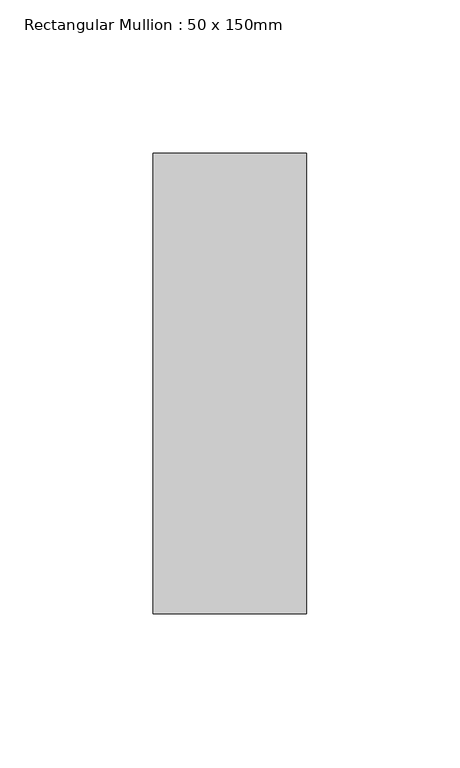
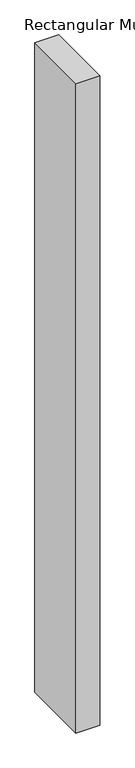
"""IFC4 building model written with IfcOpenShell, lengths in millimetres: member geometry, Rectangular Mullion : 50 x 150mm."""

from ifc_helpers import new_model, si_unit, frame, origin, place, context, project, spatial, polyline, outline, extrude, source, transform, mapped, element, save


def rectangular_mullion_50_x_150mm_f43b0990(model_context):
    return source(origin(), model_context, "Body", "SweptSolid", [
        extrude(outline(polyline([(0.0, 75.0), (0.0, -75.0), (-50.0, -75.0), (-50.0, 75.0), (0.0, 75.0)])), frame((0.0, 0.0, -1449.5806282), z_axis=(0.0, 0.0, 1.0), x_axis=(1.0, 0.0, 0.0)), (0.0, 0.0, 1.0), 1449.5806282),
    ])


if __name__ == "__main__":
    model = new_model("IFC4")
    model_context = context("Model", 3, world=origin())
    ifc_project = project(units=[si_unit("LENGTHUNIT", "METRE", prefix="MILLI")], contexts=[model_context])
    site = spatial("IfcSite", under=ifc_project)
    building = spatial("IfcBuilding", under=site)
    placement = place(None, origin())
    rectangular_mullion_50_x_150mm_shape = rectangular_mullion_50_x_150mm_f43b0990(model_context)
    element("IfcMember", 1, ObjectType="Rectangular Mullion : 50 x 150mm", at=placement, inside=building, context=model_context, shape_type="MappedRepresentation", body=[
        mapped(rectangular_mullion_50_x_150mm_shape, transform((0.0, 0.0, 0.0), x_axis=(1.0, 0.0, 0.0), y_axis=(0.0, 1.0, 0.0), z_axis=(0.0, 0.0, 1.0))),
    ])
    save(model, "model.ifc")
